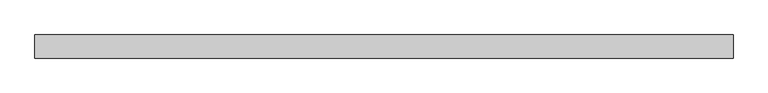
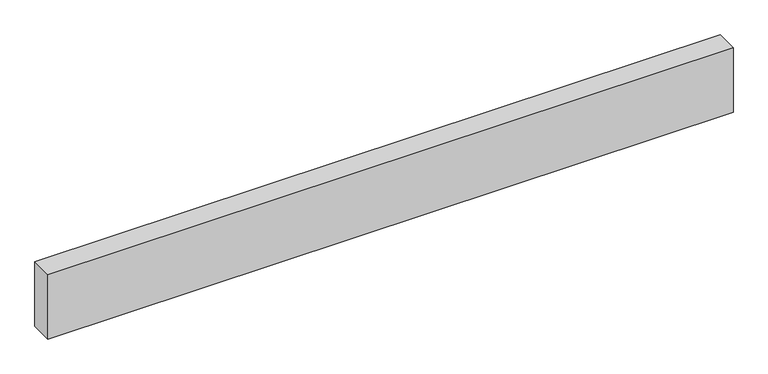
"""IFC4 building model written with IfcOpenShell, lengths in millimetres: proxy geometry."""

import ifcopenshell
import ifcopenshell.guid

model = None  # the IFC model being written
_history = None  # IfcOwnerHistory: only IFC2X3 demands one
_inside = {}  # id of a spatial element -> (the spatial element, [elements in it])
_under = {}  # id of a project, library or spatial element -> (it, [spatial elements below it])
_declared = {}  # id of a project -> (the project, [libraries it declares])
_typed = {}  # id of a type object -> (the type object, [elements of that type])
_made_of = {}  # id of a material, layer set ... -> (it, [elements and type objects made of it])


def new_model(schema):
    """Start an empty IFC model of exactly this schema.

    Asked for "IFC4X3", IfcOpenShell would pick the latest addendum, in which some entities
    have other attributes; the version numbers below select the first issue.
    IFC2X3 requires an IfcOwnerHistory on every rooted entity: one is made here for all.
    """
    global model, _history
    if schema == "IFC4X3":
        model = ifcopenshell.file(schema_version=(4, 3, 0, 0))
    else:
        model = ifcopenshell.file(schema=schema)
    _inside.clear()
    _under.clear()
    _declared.clear()
    _typed.clear()
    _made_of.clear()
    _history = None
    if model.schema == "IFC2X3":
        org = make("IfcOrganization", Name="unknown")
        user = make(
            "IfcPersonAndOrganization",
            ThePerson=make("IfcPerson", FamilyName="unknown"),
            TheOrganization=org,
        )
        app = make(
            "IfcApplication",
            ApplicationDeveloper=org,
            Version="unknown",
            ApplicationFullName="unknown",
            ApplicationIdentifier="unknown",
        )
        _history = make(
            "IfcOwnerHistory",
            OwningUser=user,
            OwningApplication=app,
            ChangeAction="ADDED",
            CreationDate=0,
        )
    return model


def make(cls, **values):
    """One entity of the class cls with the attributes given. An attribute that is None is left unset."""
    return model.create_entity(
        cls, **{name: value for name, value in values.items() if value is not None}
    )


def rooted(cls, **values):
    """An entity with a GlobalId (a new one), such as an element, a storey or a relation."""
    return make(cls, GlobalId=ifcopenshell.guid.new(), OwnerHistory=_history, **values)


def si_unit(unit_type, name, prefix=None):
    """IfcSIUnit, for example si_unit("LENGTHUNIT", "METRE", prefix="MILLI")."""
    return make("IfcSIUnit", UnitType=unit_type, Prefix=prefix, Name=name)


def assignment(units):
    """IfcUnitAssignment: the units of a project."""
    return None if units is None else make("IfcUnitAssignment", Units=units)


def point(xyz):
    """IfcCartesianPoint."""
    return None if xyz is None else make("IfcCartesianPoint", Coordinates=xyz)


def direction(xyz):
    """IfcDirection."""
    return None if xyz is None else make("IfcDirection", DirectionRatios=xyz)


def frame(location, z_axis=None, x_axis=None):
    """IfcAxis2Placement3D, a coordinate frame: its origin and axes. An axis left out is left unset."""
    return make(
        "IfcAxis2Placement3D",
        Location=point(location),
        Axis=direction(z_axis),
        RefDirection=direction(x_axis),
    )


def origin():
    """The frame at (0, 0, 0) with its axes left unset."""
    return frame((0.0, 0.0, 0.0))


def origin_with_axes():
    """The frame at (0, 0, 0) with the z axis (0, 0, 1) and the x axis (1, 0, 0) written out."""
    return frame((0.0, 0.0, 0.0), z_axis=(0.0, 0.0, 1.0), x_axis=(1.0, 0.0, 0.0))


def place(relative_to, where):
    """IfcLocalPlacement: puts the frame where relative to a parent placement (None: the world)."""
    return make(
        "IfcLocalPlacement", PlacementRelTo=relative_to, RelativePlacement=where
    )


def context(
    kind, dimensions, precision=None, world=None, true_north=None, identifier=None
):
    """IfcGeometricRepresentationContext, for example the 3D "Model" context."""
    return make(
        "IfcGeometricRepresentationContext",
        ContextIdentifier=identifier,
        ContextType=kind,
        CoordinateSpaceDimension=dimensions,
        Precision=precision,
        WorldCoordinateSystem=world,
        TrueNorth=true_north,
    )


def project(units=None, contexts=None):
    """IfcProject with its units and contexts."""
    return rooted(
        "IfcProject",
        Name="project",
        RepresentationContexts=contexts,
        UnitsInContext=assignment(units),
    )


def spatial(cls, under=None, at=None, **own):
    """A site, building, storey or space (cls), placed at a placement, below another one or the project."""
    s = rooted(cls, ObjectPlacement=at, **own)
    if under is not None:
        _under.setdefault(under.id(), (under, []))[1].append(s)
    return s


def polyline(points):
    """IfcPolyline through the points."""
    return make("IfcPolyline", Points=[point(p) for p in points])


def outline(outer, holes=None, kind="AREA"):
    """IfcArbitraryClosedProfileDef: a profile drawn as a closed curve; with holes, ...WithVoids."""
    if holes is None:
        return make("IfcArbitraryClosedProfileDef", ProfileType=kind, OuterCurve=outer)
    return make(
        "IfcArbitraryProfileDefWithVoids",
        ProfileType=kind,
        OuterCurve=outer,
        InnerCurves=holes,
    )


def extrude(swept, where, along, depth):
    """IfcExtrudedAreaSolid: the profile swept, set in the frame where, extruded along a direction by depth."""
    return make(
        "IfcExtrudedAreaSolid",
        SweptArea=swept,
        Position=where,
        ExtrudedDirection=direction(along),
        Depth=depth,
    )


def shape(context_of_items, identifier, shape_type, items):
    """IfcShapeRepresentation: the items that make up one representation, for example the "Body"."""
    return make(
        "IfcShapeRepresentation",
        ContextOfItems=context_of_items,
        RepresentationIdentifier=identifier,
        RepresentationType=shape_type,
        Items=items,
    )


def source(mapping_origin, context_of_items, identifier, shape_type, items):
    """IfcRepresentationMap: a shape defined once, which mapped items show again and again."""
    return make(
        "IfcRepresentationMap",
        MappingOrigin=mapping_origin,
        MappedRepresentation=shape(context_of_items, identifier, shape_type, items),
    )


def transform(
    local_origin,
    x_axis=None,
    y_axis=None,
    z_axis=None,
    scale=None,
    scale2=None,
    scale3=None,
    uniform=True,
):
    """IfcCartesianTransformationOperator3D, or its non-uniform kind. x_axis, y_axis, z_axis: its Axis1, 2, 3."""
    if uniform:
        return make(
            "IfcCartesianTransformationOperator3D",
            Axis1=direction(x_axis),
            Axis2=direction(y_axis),
            LocalOrigin=point(local_origin),
            Scale=scale,
            Axis3=direction(z_axis),
        )
    return make(
        "IfcCartesianTransformationOperator3DnonUniform",
        Axis1=direction(x_axis),
        Axis2=direction(y_axis),
        LocalOrigin=point(local_origin),
        Scale=scale,
        Axis3=direction(z_axis),
        Scale2=scale2,
        Scale3=scale3,
    )


def mapped(mapping_source, mapping_target):
    """IfcMappedItem: shows the shape of a source again, moved by a transform."""
    return make(
        "IfcMappedItem", MappingSource=mapping_source, MappingTarget=mapping_target
    )


def made_of(thing, what):
    """Note that an element or type object is made of a material, layer set ...; save() writes the relation."""
    if what is not None:
        _made_of.setdefault(what.id(), (what, []))[1].append(thing)
    return thing


def element(
    cls,
    number,
    at=None,
    inside=None,
    cuts=None,
    type_object=None,
    material=None,
    context=None,
    identifier="Body",
    shape_type=None,
    held_by="IfcProductDefinitionShape",
    body=None,
    shapes=None,
    **own,
):
    """One element of the class cls, such as IfcWall. Its Tag is "e" and its number.

    at: its placement. inside: the storey or other place that contains it. cuts: it is an
    opening in that element (IfcRelVoidsElement). A single representation is given by context,
    identifier, shape_type and body (its items); several are given by shapes. held_by: the class
    of the entity that holds the representations. save() writes the other relations.
    """
    e = rooted(cls, Tag="e%d" % number, ObjectPlacement=at, **own)
    if body is not None:
        shapes = [shape(context, identifier, shape_type, body)]
    if shapes is not None:
        e.Representation = make(held_by, Representations=shapes)
    if inside is not None:
        _inside.setdefault(inside.id(), (inside, []))[1].append(e)
    if cuts is not None:
        rooted(
            "IfcRelVoidsElement", RelatingBuildingElement=cuts, RelatedOpeningElement=e
        )
    if type_object is not None:
        _typed.setdefault(type_object.id(), (type_object, []))[1].append(e)
    return made_of(e, material)


def aggregate(whole, parts):
    """IfcRelAggregates: a whole, such as a stair, and the parts it consists of."""
    return rooted("IfcRelAggregates", RelatingObject=whole, RelatedObjects=parts)


def save(model, path):
    """Write the relations noted so far, then the file.

    IfcRelAggregates (storeys below a building ...), IfcRelContainedInSpatialStructure (elements
    in a storey), IfcRelDefinesByType, IfcRelAssociatesMaterial and IfcRelDeclares: one each for
    every whole, place, type object, material and project.
    """
    for whole, parts in _under.values():
        aggregate(whole, parts)
    for where, things in _inside.values():
        rooted(
            "IfcRelContainedInSpatialStructure",
            RelatedElements=things,
            RelatingStructure=where,
        )
    for kind, things in _typed.values():
        rooted("IfcRelDefinesByType", RelatedObjects=things, RelatingType=kind)
    for what, things in _made_of.values():
        rooted("IfcRelAssociatesMaterial", RelatedObjects=things, RelatingMaterial=what)
    for by, libraries in _declared.values():
        rooted("IfcRelDeclares", RelatingContext=by, RelatedDefinitions=libraries)
    model.write(path)


def generic_models_e5d6c564(model_context):
    return source(origin(), model_context, "Body", "SweptSolid", [
        extrude(outline(polyline([(3023.1098884, 0.0), (3023.1098884, -100.0), (0.0, -100.0), (0.0, 0.0), (3023.1098884, 0.0)])), origin_with_axes(), (0.0, 0.0, 1.0), 300.0),
    ])


if __name__ == "__main__":
    model = new_model("IFC4")
    model_context = context("Model", 3, world=origin())
    ifc_project = project(units=[si_unit("LENGTHUNIT", "METRE", prefix="MILLI")], contexts=[model_context])
    site = spatial("IfcSite", under=ifc_project)
    building = spatial("IfcBuilding", under=site)
    placement = place(None, origin())
    generic_models_shape = generic_models_e5d6c564(model_context)
    element("IfcBuildingElementProxy", 1, Name="Generic Models", at=placement, inside=building, context=model_context, shape_type="MappedRepresentation", body=[
        mapped(generic_models_shape, transform((0.0, 0.0, 0.0), x_axis=(1.0, 0.0, 0.0), y_axis=(0.0, 1.0, 0.0), z_axis=(0.0, 0.0, 1.0))),
    ])
    save(model, "model.ifc")
